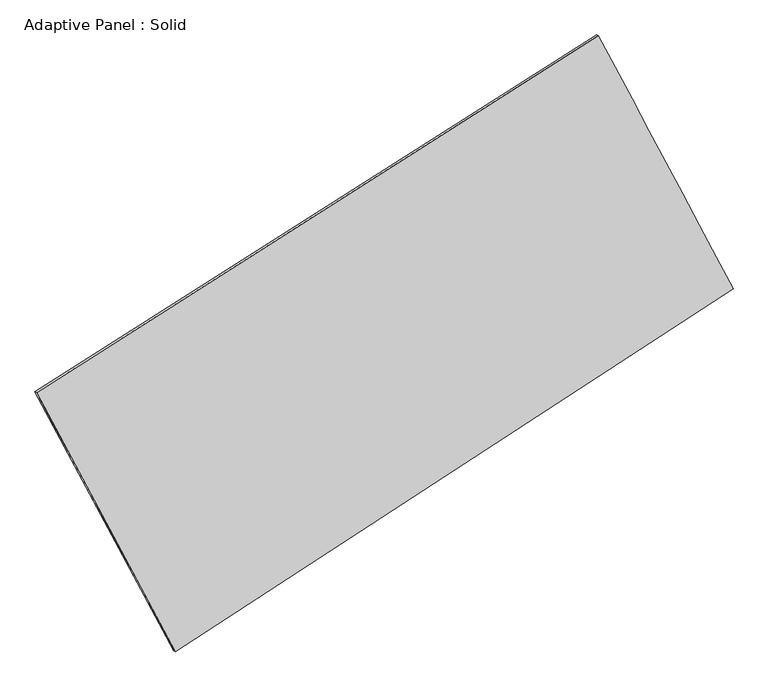
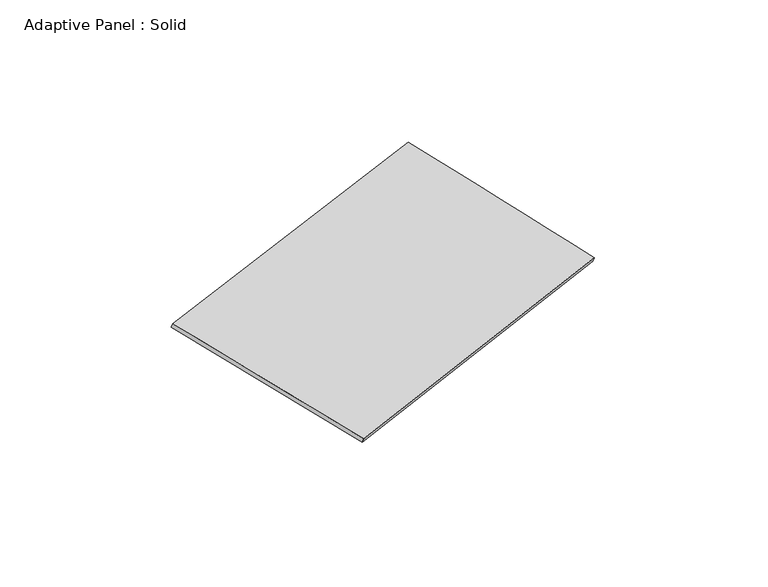
"""IFC4 building model written with IfcOpenShell, lengths in millimetres: plate geometry, Adaptive Panel : Solid."""

from ifc_helpers import new_model, si_unit, frame, origin, place, context, project, spatial, source, transform, mapped, element, save
from ifc_brep_helpers import plane_surface, spline_surface, advanced_brep


def adaptive_panel_solid_ea1ae058(model_context):
    return source(origin(), model_context, "Body", "AdvancedBrep", [
        advanced_brep(
        [(1197.2313414, 2565.3030418, 668.5253941), (-3687.3703828, -539.2226487, 1742.0192365), (-3672.704027, -545.6027422, 1789.3921445), (1211.8976972, 2558.9229483, 715.8983021), (-2481.5517652, -2791.2112899, 1085.8336436), (-2466.8854094, -2797.5913834, 1133.2065516), (2368.4002285, 364.8823241, -11.255754), (2383.0665843, 358.5022306, 36.117154)],
        [
            (0, 1),
            (1, 2),
            (2, 3),
            (3, 0),
            (1, 4),
            (4, 5),
            (5, 2),
            (4, 6),
            (6, 7),
            (7, 5),
            (6, 0),
            (3, 7),
        ],
        [
            plane_surface(frame((-1245.0695207, 1013.0401965, 1205.2723153), z_axis=(-0.47642699954899137, 0.839708634559122, 0.2605891846328242), x_axis=(-0.8298102113565892, -0.5274057671200107, 0.18236822622618673))),
            plane_surface(frame((-3084.461074, -1665.2169693, 1413.92644), z_axis=(-0.8407639891844594, -0.5061655577596061, 0.19212585101578875), x_axis=(0.45719474859114345, -0.8538575915287064, -0.24879745828580674))),
            plane_surface(frame((-56.5757684, -1213.1644829, 537.2889448), z_axis=(0.4839590895848011, -0.8348645051946288, -0.2622686744054241), x_axis=(0.8234870694729155, 0.5358820632753226, -0.18627791246063724))),
            plane_surface(frame((1782.8157849, 1465.0926829, 328.6348201), z_axis=(0.8404991284737477, 0.5066616540947811, -0.19197703848328052), x_axis=(-0.4532884872537755, 0.8516494840586506, 0.26310207833808175))),
            spline_surface(1, 1, [[(-3672.704027, -545.6027422, 1789.3921445), (1211.8976972, 2558.9229483, 715.8983021)], [(-2466.8854094, -2797.5913834, 1133.2065516), (2383.0665843, 358.5022306, 36.117154)]], [2, 2], [2, 2], [0.0, 1.0], [0.0, 1.0]),
            spline_surface(1, 1, [[(2368.4002285, 364.8823241, -11.255754), (1197.2313414, 2565.3030418, 668.5253941)], [(-2481.5517652, -2791.2112899, 1085.8336436), (-3687.3703828, -539.2226487, 1742.0192365)]], [2, 2], [2, 2], [0.0, 1.0], [0.0, 1.0]),
        ],
        [
            (0, [[1, 2, 3, 4]]),
            (1, [[5, 6, 7, -2]]),
            (2, [[8, 9, 10, -6]]),
            (3, [[11, -4, 12, -9]]),
            (4, [[-3, -7, -10, -12]]),
            (5, [[-11, -8, -5, -1]]),
        ],
    ),
    ])


if __name__ == "__main__":
    model = new_model("IFC4")
    model_context = context("Model", 3, world=origin())
    ifc_project = project(units=[si_unit("LENGTHUNIT", "METRE", prefix="MILLI")], contexts=[model_context])
    site = spatial("IfcSite", under=ifc_project)
    building = spatial("IfcBuilding", under=site)
    placement = place(None, origin())
    adaptive_panel_solid_shape = adaptive_panel_solid_ea1ae058(model_context)
    element("IfcPlate", 1, ObjectType="Adaptive Panel : Solid", at=placement, inside=building, context=model_context, shape_type="MappedRepresentation", body=[
        mapped(adaptive_panel_solid_shape, transform((0.0, 0.0, 0.0), x_axis=(1.0, 0.0, 0.0), y_axis=(0.0, 1.0, 0.0), z_axis=(0.0, 0.0, 1.0))),
    ])
    save(model, "model.ifc")
